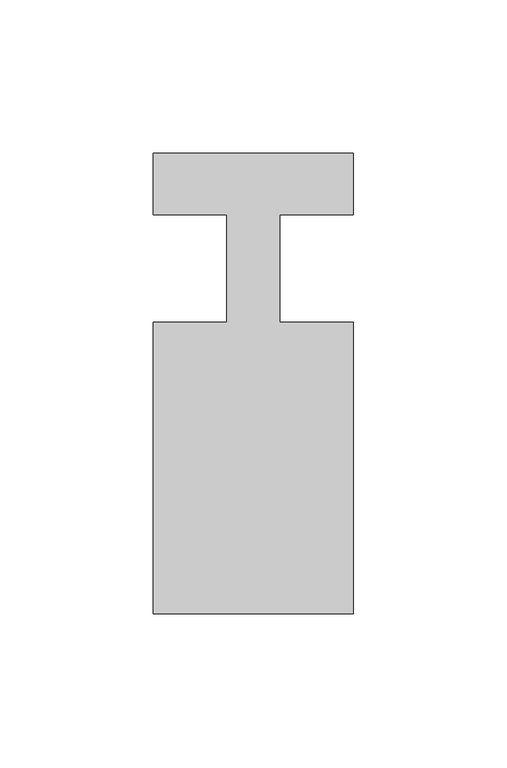
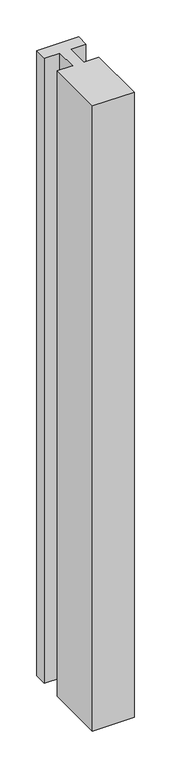
"""IFC4 building model written with IfcOpenShell, lengths in millimetres: member geometry."""

from ifc_helpers import new_model, si_unit, frame, origin, place, context, project, spatial, polyline, outline, extrude, source, transform, mapped, element, save


def member_1cf3731e(model_context):
    return source(origin(), model_context, "Body", "SweptSolid", [
        extrude(outline(polyline([(0.0, 37.0), (0.0, 17.0), (-23.8125, 17.0), (-23.8125, -18.0), (0.0, -18.0), (0.0, -113.0), (-65.0, -113.0), (-65.0, -18.0), (-41.1875, -18.0), (-41.1875, 17.0), (-65.0, 17.0), (-65.0, 37.0), (0.0, 37.0)])), frame((0.0, 0.0, -1032.5), z_axis=(0.0, 0.0, 1.0), x_axis=(1.0, 0.0, 0.0)), (0.0, 0.0, 1.0), 1032.5),
    ])


if __name__ == "__main__":
    model = new_model("IFC4")
    model_context = context("Model", 3, world=origin())
    ifc_project = project(units=[si_unit("LENGTHUNIT", "METRE", prefix="MILLI")], contexts=[model_context])
    site = spatial("IfcSite", under=ifc_project)
    building = spatial("IfcBuilding", under=site)
    placement = place(None, origin())
    member_shape = member_1cf3731e(model_context)
    element("IfcMember", 1, at=placement, inside=building, context=model_context, shape_type="MappedRepresentation", body=[
        mapped(member_shape, transform((0.0, 0.0, 0.0), x_axis=(1.0, 0.0, 0.0), y_axis=(0.0, 1.0, 0.0), z_axis=(0.0, 0.0, 1.0))),
    ])
    save(model, "model.ifc")
